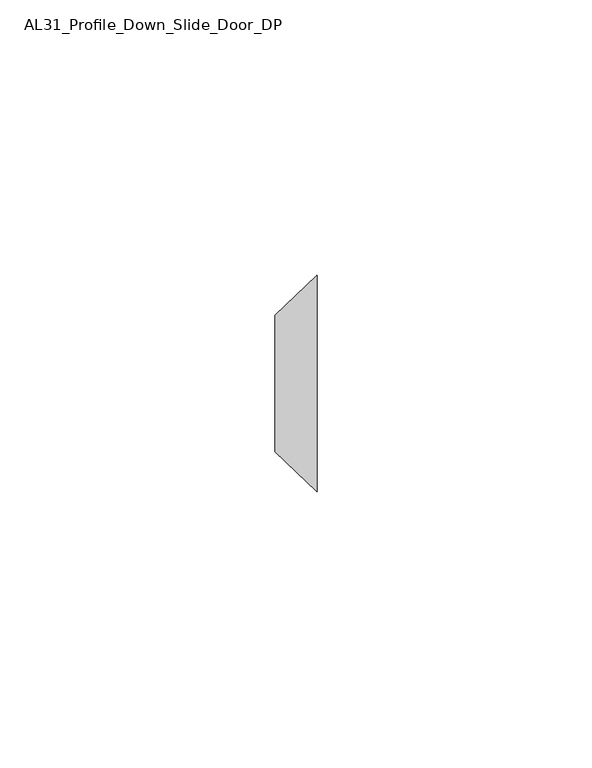
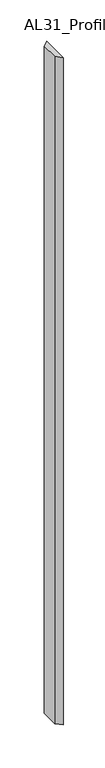
"""IFC4 building model written with IfcOpenShell, lengths in millimetres: member geometry, AL31_Profile_Down_Slide_Door_DP."""

from ifc_helpers import new_model, si_unit, frame, origin, place, context, project, spatial, polyline, outline, extrude, source, transform, mapped, element, save


def al31_profile_down_slide_door_dp_0bba72a7(model_context):
    return source(origin(), model_context, "Body", "SweptSolid", [
        extrude(outline(polyline([(-7.6107048, -13.0548232), (0.0, -5.7722941), (0.0, -45.1097059), (-7.6107048, -37.8271768), (-7.6107048, -13.0548232)])), frame((0.0, 0.0, -982.5), z_axis=(0.0, 0.0, 1.0), x_axis=(1.0, 0.0, 0.0)), (0.0, 0.0, 1.0), 982.5),
    ])


if __name__ == "__main__":
    model = new_model("IFC4")
    model_context = context("Model", 3, world=origin())
    ifc_project = project(units=[si_unit("LENGTHUNIT", "METRE", prefix="MILLI")], contexts=[model_context])
    site = spatial("IfcSite", under=ifc_project)
    building = spatial("IfcBuilding", under=site)
    placement = place(None, origin())
    al31_profile_down_slide_door_dp_shape = al31_profile_down_slide_door_dp_0bba72a7(model_context)
    element("IfcMember", 1, ObjectType="AL31_Profile_Down_Slide_Door_DP", at=placement, inside=building, context=model_context, shape_type="MappedRepresentation", body=[
        mapped(al31_profile_down_slide_door_dp_shape, transform((0.0, 0.0, 0.0), x_axis=(1.0, 0.0, 0.0), y_axis=(0.0, 1.0, 0.0), z_axis=(0.0, 0.0, 1.0))),
    ])
    save(model, "model.ifc")
